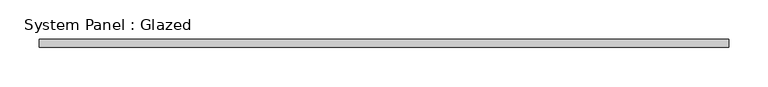
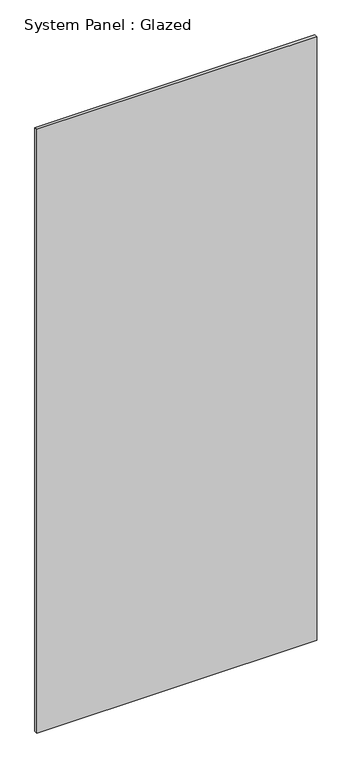
"""IFC4 building model written with IfcOpenShell, lengths in millimetres: plate geometry, System Panel : Glazed."""

from ifc_helpers import new_model, si_unit, origin, origin_with_axes, place, context, project, spatial, polyline, outline, extrude, source, transform, mapped, element, save


def system_panel_glazed_1c3a0141(model_context):
    return source(origin(), model_context, "Body", "SweptSolid", [
        extrude(outline(polyline([(437.5, -5.0), (-437.5, -5.0), (-437.5, 5.0), (437.5, 5.0), (437.5, -5.0)])), origin_with_axes(), (0.0, 0.0, 1.0), 1995.0),
    ])


if __name__ == "__main__":
    model = new_model("IFC4")
    model_context = context("Model", 3, world=origin())
    ifc_project = project(units=[si_unit("LENGTHUNIT", "METRE", prefix="MILLI")], contexts=[model_context])
    site = spatial("IfcSite", under=ifc_project)
    building = spatial("IfcBuilding", under=site)
    placement = place(None, origin())
    system_panel_glazed_shape = system_panel_glazed_1c3a0141(model_context)
    element("IfcPlate", 1, ObjectType="System Panel : Glazed", at=placement, inside=building, context=model_context, shape_type="MappedRepresentation", body=[
        mapped(system_panel_glazed_shape, transform((0.0, 0.0, 0.0), x_axis=(1.0, 0.0, 0.0), y_axis=(0.0, 1.0, 0.0), z_axis=(0.0, 0.0, 1.0))),
    ])
    save(model, "model.ifc")
